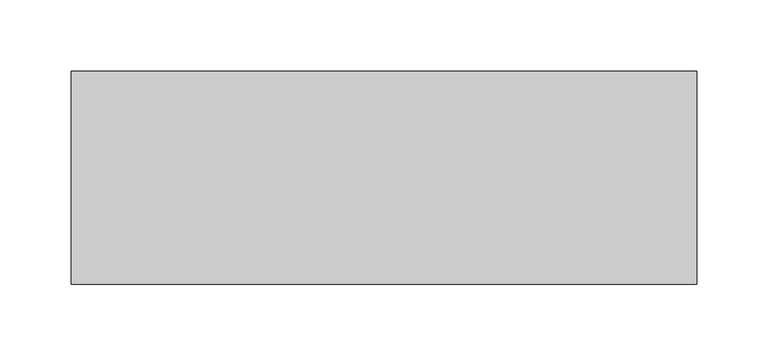
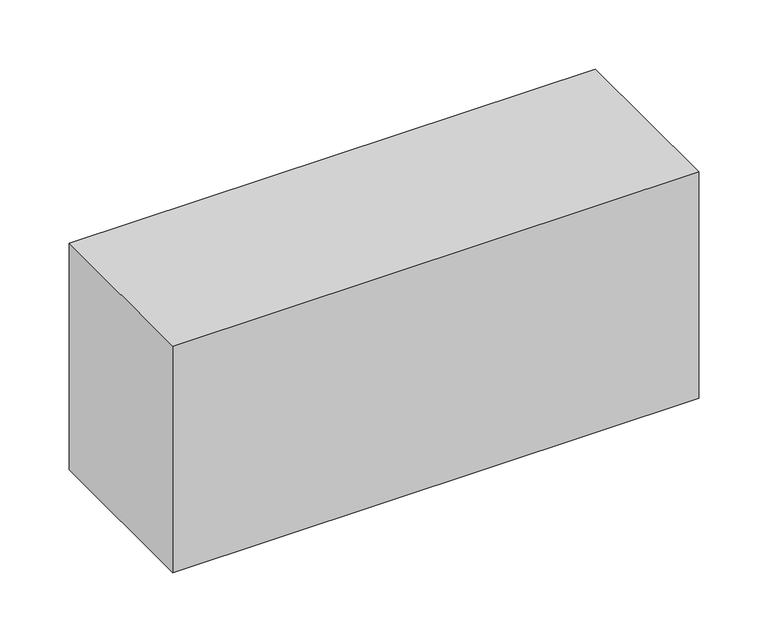
"""IFC4 building model written with IfcOpenShell, lengths in millimetres: proxy geometry."""

from ifc_helpers import new_model, si_unit, frame, origin, place, context, project, spatial, polyline, outline, extrude, source, transform, mapped, element, save


def generic_models_7f29e821(model_context):
    return source(origin(), model_context, "Body", "SweptSolid", [
        extrude(outline(polyline([(220.0, 75.0), (220.0, -75.0), (-220.0, -75.0), (-220.0, 75.0), (220.0, 75.0)])), frame((0.0, 0.0, -200.0), z_axis=(0.0, 0.0, 1.0), x_axis=(1.0, 0.0, 0.0)), (0.0, 0.0, 1.0), 200.0),
    ])


if __name__ == "__main__":
    model = new_model("IFC4")
    model_context = context("Model", 3, world=origin())
    ifc_project = project(units=[si_unit("LENGTHUNIT", "METRE", prefix="MILLI")], contexts=[model_context])
    site = spatial("IfcSite", under=ifc_project)
    building = spatial("IfcBuilding", under=site)
    placement = place(None, origin())
    generic_models_shape = generic_models_7f29e821(model_context)
    element("IfcBuildingElementProxy", 1, Name="Generic Models", at=placement, inside=building, context=model_context, shape_type="MappedRepresentation", body=[
        mapped(generic_models_shape, transform((0.0, 0.0, 0.0), x_axis=(1.0, 0.0, 0.0), y_axis=(0.0, 1.0, 0.0), z_axis=(0.0, 0.0, 1.0))),
    ])
    save(model, "model.ifc")
